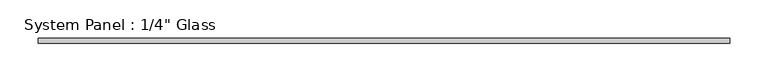
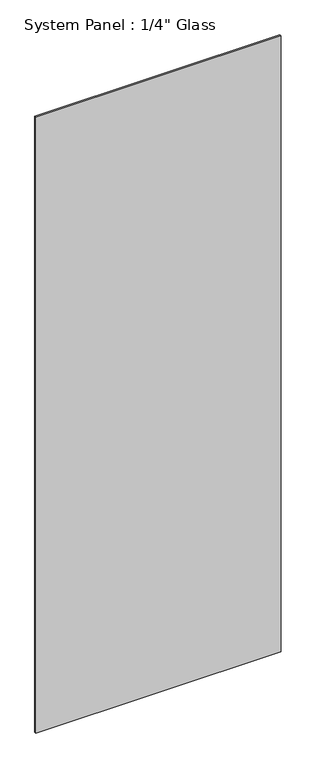
"""IFC4 building model written with IfcOpenShell, lengths in millimetres: plate geometry."""

import ifcopenshell
import ifcopenshell.guid

model = None  # the IFC model being written
_history = None  # IfcOwnerHistory: only IFC2X3 demands one
_inside = {}  # id of a spatial element -> (the spatial element, [elements in it])
_under = {}  # id of a project, library or spatial element -> (it, [spatial elements below it])
_declared = {}  # id of a project -> (the project, [libraries it declares])
_typed = {}  # id of a type object -> (the type object, [elements of that type])
_made_of = {}  # id of a material, layer set ... -> (it, [elements and type objects made of it])


def new_model(schema):
    """Start an empty IFC model of exactly this schema.

    Asked for "IFC4X3", IfcOpenShell would pick the latest addendum, in which some entities
    have other attributes; the version numbers below select the first issue.
    IFC2X3 requires an IfcOwnerHistory on every rooted entity: one is made here for all.
    """
    global model, _history
    if schema == "IFC4X3":
        model = ifcopenshell.file(schema_version=(4, 3, 0, 0))
    else:
        model = ifcopenshell.file(schema=schema)
    _inside.clear()
    _under.clear()
    _declared.clear()
    _typed.clear()
    _made_of.clear()
    _history = None
    if model.schema == "IFC2X3":
        org = make("IfcOrganization", Name="unknown")
        user = make(
            "IfcPersonAndOrganization",
            ThePerson=make("IfcPerson", FamilyName="unknown"),
            TheOrganization=org,
        )
        app = make(
            "IfcApplication",
            ApplicationDeveloper=org,
            Version="unknown",
            ApplicationFullName="unknown",
            ApplicationIdentifier="unknown",
        )
        _history = make(
            "IfcOwnerHistory",
            OwningUser=user,
            OwningApplication=app,
            ChangeAction="ADDED",
            CreationDate=0,
        )
    return model


def make(cls, **values):
    """One entity of the class cls with the attributes given. An attribute that is None is left unset."""
    return model.create_entity(
        cls, **{name: value for name, value in values.items() if value is not None}
    )


def rooted(cls, **values):
    """An entity with a GlobalId (a new one), such as an element, a storey or a relation."""
    return make(cls, GlobalId=ifcopenshell.guid.new(), OwnerHistory=_history, **values)


def si_unit(unit_type, name, prefix=None):
    """IfcSIUnit, for example si_unit("LENGTHUNIT", "METRE", prefix="MILLI")."""
    return make("IfcSIUnit", UnitType=unit_type, Prefix=prefix, Name=name)


def assignment(units):
    """IfcUnitAssignment: the units of a project."""
    return None if units is None else make("IfcUnitAssignment", Units=units)


def point(xyz):
    """IfcCartesianPoint."""
    return None if xyz is None else make("IfcCartesianPoint", Coordinates=xyz)


def direction(xyz):
    """IfcDirection."""
    return None if xyz is None else make("IfcDirection", DirectionRatios=xyz)


def frame(location, z_axis=None, x_axis=None):
    """IfcAxis2Placement3D, a coordinate frame: its origin and axes. An axis left out is left unset."""
    return make(
        "IfcAxis2Placement3D",
        Location=point(location),
        Axis=direction(z_axis),
        RefDirection=direction(x_axis),
    )


def origin():
    """The frame at (0, 0, 0) with its axes left unset."""
    return frame((0.0, 0.0, 0.0))


def origin_with_axes():
    """The frame at (0, 0, 0) with the z axis (0, 0, 1) and the x axis (1, 0, 0) written out."""
    return frame((0.0, 0.0, 0.0), z_axis=(0.0, 0.0, 1.0), x_axis=(1.0, 0.0, 0.0))


def place(relative_to, where):
    """IfcLocalPlacement: puts the frame where relative to a parent placement (None: the world)."""
    return make(
        "IfcLocalPlacement", PlacementRelTo=relative_to, RelativePlacement=where
    )


def context(
    kind, dimensions, precision=None, world=None, true_north=None, identifier=None
):
    """IfcGeometricRepresentationContext, for example the 3D "Model" context."""
    return make(
        "IfcGeometricRepresentationContext",
        ContextIdentifier=identifier,
        ContextType=kind,
        CoordinateSpaceDimension=dimensions,
        Precision=precision,
        WorldCoordinateSystem=world,
        TrueNorth=true_north,
    )


def project(units=None, contexts=None):
    """IfcProject with its units and contexts."""
    return rooted(
        "IfcProject",
        Name="project",
        RepresentationContexts=contexts,
        UnitsInContext=assignment(units),
    )


def spatial(cls, under=None, at=None, **own):
    """A site, building, storey or space (cls), placed at a placement, below another one or the project."""
    s = rooted(cls, ObjectPlacement=at, **own)
    if under is not None:
        _under.setdefault(under.id(), (under, []))[1].append(s)
    return s


def polyline(points):
    """IfcPolyline through the points."""
    return make("IfcPolyline", Points=[point(p) for p in points])


def outline(outer, holes=None, kind="AREA"):
    """IfcArbitraryClosedProfileDef: a profile drawn as a closed curve; with holes, ...WithVoids."""
    if holes is None:
        return make("IfcArbitraryClosedProfileDef", ProfileType=kind, OuterCurve=outer)
    return make(
        "IfcArbitraryProfileDefWithVoids",
        ProfileType=kind,
        OuterCurve=outer,
        InnerCurves=holes,
    )


def extrude(swept, where, along, depth):
    """IfcExtrudedAreaSolid: the profile swept, set in the frame where, extruded along a direction by depth."""
    return make(
        "IfcExtrudedAreaSolid",
        SweptArea=swept,
        Position=where,
        ExtrudedDirection=direction(along),
        Depth=depth,
    )


def shape(context_of_items, identifier, shape_type, items):
    """IfcShapeRepresentation: the items that make up one representation, for example the "Body"."""
    return make(
        "IfcShapeRepresentation",
        ContextOfItems=context_of_items,
        RepresentationIdentifier=identifier,
        RepresentationType=shape_type,
        Items=items,
    )


def source(mapping_origin, context_of_items, identifier, shape_type, items):
    """IfcRepresentationMap: a shape defined once, which mapped items show again and again."""
    return make(
        "IfcRepresentationMap",
        MappingOrigin=mapping_origin,
        MappedRepresentation=shape(context_of_items, identifier, shape_type, items),
    )


def transform(
    local_origin,
    x_axis=None,
    y_axis=None,
    z_axis=None,
    scale=None,
    scale2=None,
    scale3=None,
    uniform=True,
):
    """IfcCartesianTransformationOperator3D, or its non-uniform kind. x_axis, y_axis, z_axis: its Axis1, 2, 3."""
    if uniform:
        return make(
            "IfcCartesianTransformationOperator3D",
            Axis1=direction(x_axis),
            Axis2=direction(y_axis),
            LocalOrigin=point(local_origin),
            Scale=scale,
            Axis3=direction(z_axis),
        )
    return make(
        "IfcCartesianTransformationOperator3DnonUniform",
        Axis1=direction(x_axis),
        Axis2=direction(y_axis),
        LocalOrigin=point(local_origin),
        Scale=scale,
        Axis3=direction(z_axis),
        Scale2=scale2,
        Scale3=scale3,
    )


def mapped(mapping_source, mapping_target):
    """IfcMappedItem: shows the shape of a source again, moved by a transform."""
    return make(
        "IfcMappedItem", MappingSource=mapping_source, MappingTarget=mapping_target
    )


def made_of(thing, what):
    """Note that an element or type object is made of a material, layer set ...; save() writes the relation."""
    if what is not None:
        _made_of.setdefault(what.id(), (what, []))[1].append(thing)
    return thing


def element(
    cls,
    number,
    at=None,
    inside=None,
    cuts=None,
    type_object=None,
    material=None,
    context=None,
    identifier="Body",
    shape_type=None,
    held_by="IfcProductDefinitionShape",
    body=None,
    shapes=None,
    **own,
):
    """One element of the class cls, such as IfcWall. Its Tag is "e" and its number.

    at: its placement. inside: the storey or other place that contains it. cuts: it is an
    opening in that element (IfcRelVoidsElement). A single representation is given by context,
    identifier, shape_type and body (its items); several are given by shapes. held_by: the class
    of the entity that holds the representations. save() writes the other relations.
    """
    e = rooted(cls, Tag="e%d" % number, ObjectPlacement=at, **own)
    if body is not None:
        shapes = [shape(context, identifier, shape_type, body)]
    if shapes is not None:
        e.Representation = make(held_by, Representations=shapes)
    if inside is not None:
        _inside.setdefault(inside.id(), (inside, []))[1].append(e)
    if cuts is not None:
        rooted(
            "IfcRelVoidsElement", RelatingBuildingElement=cuts, RelatedOpeningElement=e
        )
    if type_object is not None:
        _typed.setdefault(type_object.id(), (type_object, []))[1].append(e)
    return made_of(e, material)


def aggregate(whole, parts):
    """IfcRelAggregates: a whole, such as a stair, and the parts it consists of."""
    return rooted("IfcRelAggregates", RelatingObject=whole, RelatedObjects=parts)


def save(model, path):
    """Write the relations noted so far, then the file.

    IfcRelAggregates (storeys below a building ...), IfcRelContainedInSpatialStructure (elements
    in a storey), IfcRelDefinesByType, IfcRelAssociatesMaterial and IfcRelDeclares: one each for
    every whole, place, type object, material and project.
    """
    for whole, parts in _under.values():
        aggregate(whole, parts)
    for where, things in _inside.values():
        rooted(
            "IfcRelContainedInSpatialStructure",
            RelatedElements=things,
            RelatingStructure=where,
        )
    for kind, things in _typed.values():
        rooted("IfcRelDefinesByType", RelatedObjects=things, RelatingType=kind)
    for what, things in _made_of.values():
        rooted("IfcRelAssociatesMaterial", RelatedObjects=things, RelatingMaterial=what)
    for by, libraries in _declared.values():
        rooted("IfcRelDeclares", RelatingContext=by, RelatedDefinitions=libraries)
    model.write(path)


def plate_6054a2af(model_context):
    return source(origin(), model_context, "Body", "SweptSolid", [
        extrude(outline(polyline([(452.4375, -3.175), (-452.4375, -3.175), (-452.4375, 3.175), (452.4375, 3.175), (452.4375, -3.175)])), origin_with_axes(), (0.0, 0.0, 1.0), 2400.3),
    ])


if __name__ == "__main__":
    model = new_model("IFC4")
    model_context = context("Model", 3, world=origin())
    ifc_project = project(units=[si_unit("LENGTHUNIT", "METRE", prefix="MILLI")], contexts=[model_context])
    site = spatial("IfcSite", under=ifc_project)
    building = spatial("IfcBuilding", under=site)
    placement = place(None, origin())
    plate_shape = plate_6054a2af(model_context)
    element("IfcPlate", 1, ObjectType="System Panel : 1/4\" Glass", at=placement, inside=building, context=model_context, shape_type="MappedRepresentation", body=[
        mapped(plate_shape, transform((0.0, 0.0, 0.0), x_axis=(1.0, 0.0, 0.0), y_axis=(0.0, 1.0, 0.0), z_axis=(0.0, 0.0, 1.0))),
    ])
    save(model, "model.ifc")
